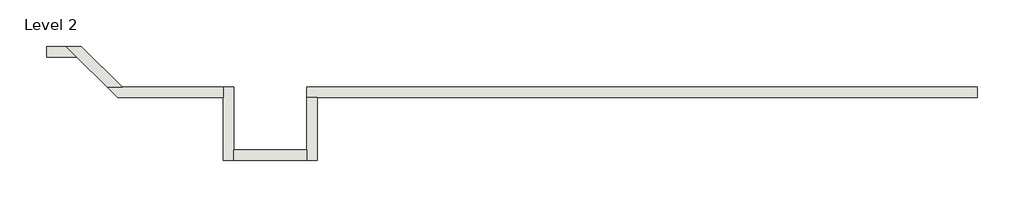
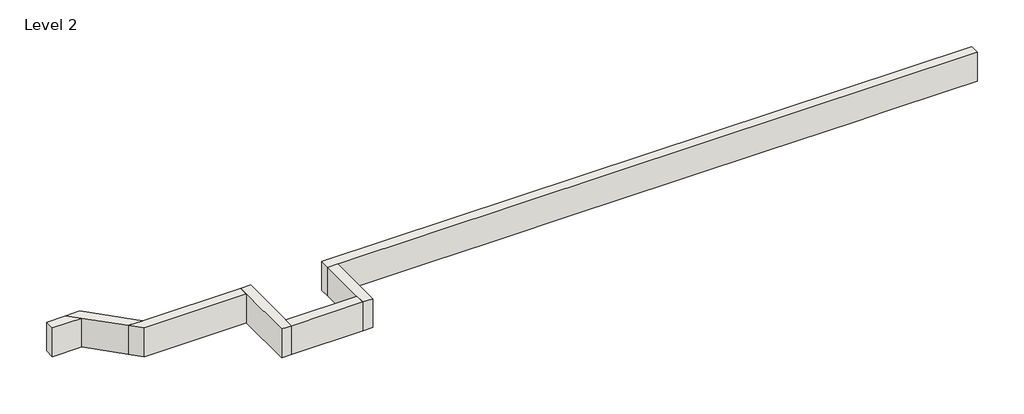
# One storey: 7 walls.
"""IFC4 building model written with IfcOpenShell, lengths in millimetres."""

import ifcopenshell
import ifcopenshell.guid

model = None  # the IFC model being written
_history = None  # IfcOwnerHistory: only IFC2X3 demands one
_inside = {}  # id of a spatial element -> (the spatial element, [elements in it])
_under = {}  # id of a project, library or spatial element -> (it, [spatial elements below it])
_declared = {}  # id of a project -> (the project, [libraries it declares])
_typed = {}  # id of a type object -> (the type object, [elements of that type])
_made_of = {}  # id of a material, layer set ... -> (it, [elements and type objects made of it])


def new_model(schema):
    """Start an empty IFC model of exactly this schema.

    Asked for "IFC4X3", IfcOpenShell would pick the latest addendum, in which some entities
    have other attributes; the version numbers below select the first issue.
    IFC2X3 requires an IfcOwnerHistory on every rooted entity: one is made here for all.
    """
    global model, _history
    if schema == "IFC4X3":
        model = ifcopenshell.file(schema_version=(4, 3, 0, 0))
    else:
        model = ifcopenshell.file(schema=schema)
    _inside.clear()
    _under.clear()
    _declared.clear()
    _typed.clear()
    _made_of.clear()
    _history = None
    if model.schema == "IFC2X3":
        org = make("IfcOrganization", Name="unknown")
        user = make(
            "IfcPersonAndOrganization",
            ThePerson=make("IfcPerson", FamilyName="unknown"),
            TheOrganization=org,
        )
        app = make(
            "IfcApplication",
            ApplicationDeveloper=org,
            Version="unknown",
            ApplicationFullName="unknown",
            ApplicationIdentifier="unknown",
        )
        _history = make(
            "IfcOwnerHistory",
            OwningUser=user,
            OwningApplication=app,
            ChangeAction="ADDED",
            CreationDate=0,
        )
    return model


def make(cls, **values):
    """One entity of the class cls with the attributes given. An attribute that is None is left unset."""
    return model.create_entity(
        cls, **{name: value for name, value in values.items() if value is not None}
    )


def rooted(cls, **values):
    """An entity with a GlobalId (a new one), such as an element, a storey or a relation."""
    return make(cls, GlobalId=ifcopenshell.guid.new(), OwnerHistory=_history, **values)


def si_unit(unit_type, name, prefix=None):
    """IfcSIUnit, for example si_unit("LENGTHUNIT", "METRE", prefix="MILLI")."""
    return make("IfcSIUnit", UnitType=unit_type, Prefix=prefix, Name=name)


def assignment(units):
    """IfcUnitAssignment: the units of a project."""
    return None if units is None else make("IfcUnitAssignment", Units=units)


def point(xyz):
    """IfcCartesianPoint."""
    return None if xyz is None else make("IfcCartesianPoint", Coordinates=xyz)


def direction(xyz):
    """IfcDirection."""
    return None if xyz is None else make("IfcDirection", DirectionRatios=xyz)


def frame(location, z_axis=None, x_axis=None):
    """IfcAxis2Placement3D, a coordinate frame: its origin and axes. An axis left out is left unset."""
    return make(
        "IfcAxis2Placement3D",
        Location=point(location),
        Axis=direction(z_axis),
        RefDirection=direction(x_axis),
    )


def origin():
    """The frame at (0, 0, 0) with its axes left unset."""
    return frame((0.0, 0.0, 0.0))


def place(relative_to, where):
    """IfcLocalPlacement: puts the frame where relative to a parent placement (None: the world)."""
    return make(
        "IfcLocalPlacement", PlacementRelTo=relative_to, RelativePlacement=where
    )


def context(
    kind, dimensions, precision=None, world=None, true_north=None, identifier=None
):
    """IfcGeometricRepresentationContext, for example the 3D "Model" context."""
    return make(
        "IfcGeometricRepresentationContext",
        ContextIdentifier=identifier,
        ContextType=kind,
        CoordinateSpaceDimension=dimensions,
        Precision=precision,
        WorldCoordinateSystem=world,
        TrueNorth=true_north,
    )


def project(units=None, contexts=None):
    """IfcProject with its units and contexts."""
    return rooted(
        "IfcProject",
        Name="project",
        RepresentationContexts=contexts,
        UnitsInContext=assignment(units),
    )


def spatial(cls, under=None, at=None, **own):
    """A site, building, storey or space (cls), placed at a placement, below another one or the project."""
    s = rooted(cls, ObjectPlacement=at, **own)
    if under is not None:
        _under.setdefault(under.id(), (under, []))[1].append(s)
    return s


def polyline(points):
    """IfcPolyline through the points."""
    return make("IfcPolyline", Points=[point(p) for p in points])


def outline(outer, holes=None, kind="AREA"):
    """IfcArbitraryClosedProfileDef: a profile drawn as a closed curve; with holes, ...WithVoids."""
    if holes is None:
        return make("IfcArbitraryClosedProfileDef", ProfileType=kind, OuterCurve=outer)
    return make(
        "IfcArbitraryProfileDefWithVoids",
        ProfileType=kind,
        OuterCurve=outer,
        InnerCurves=holes,
    )


def extrude(swept, where, along, depth):
    """IfcExtrudedAreaSolid: the profile swept, set in the frame where, extruded along a direction by depth."""
    return make(
        "IfcExtrudedAreaSolid",
        SweptArea=swept,
        Position=where,
        ExtrudedDirection=direction(along),
        Depth=depth,
    )


def faces_of(points, faces, orient=None, outer=None):
    """IfcFace entities. A face is a list of loops; a loop is a list of indices into points, from 0.

    orient and outer hold one flag for each loop. By default every Orientation is true, the
    first loop of a face is its IfcFaceOuterBound and the others are IfcFaceBound.
    """
    made = []
    for i, loops in enumerate(faces):
        bounds = []
        for j, loop in enumerate(loops):
            is_outer = j == 0 if outer is None else outer[i][j]
            bounds.append(
                make(
                    "IfcFaceOuterBound" if is_outer else "IfcFaceBound",
                    Bound=make("IfcPolyLoop", Polygon=[points[k] for k in loop]),
                    Orientation=True if orient is None else orient[i][j],
                )
            )
        made.append(make("IfcFace", Bounds=bounds))
    return made


def faceted_brep(points, faces, orient=None, outer=None, voids=None):
    """IfcFacetedBrep: a solid bounded by flat faces; with voids (closed shells), ...WithVoids."""
    shared = [point(p) for p in points]
    hull = make("IfcClosedShell", CfsFaces=faces_of(shared, faces, orient, outer))
    if voids is None:
        return make("IfcFacetedBrep", Outer=hull)
    return make(
        "IfcFacetedBrepWithVoids",
        Outer=hull,
        Voids=[
            make(cls, CfsFaces=faces_of(shared, fs, o, b)) for cls, fs, o, b in voids
        ],
    )


def shape(context_of_items, identifier, shape_type, items):
    """IfcShapeRepresentation: the items that make up one representation, for example the "Body"."""
    return make(
        "IfcShapeRepresentation",
        ContextOfItems=context_of_items,
        RepresentationIdentifier=identifier,
        RepresentationType=shape_type,
        Items=items,
    )


def made_of(thing, what):
    """Note that an element or type object is made of a material, layer set ...; save() writes the relation."""
    if what is not None:
        _made_of.setdefault(what.id(), (what, []))[1].append(thing)
    return thing


def element(
    cls,
    number,
    at=None,
    inside=None,
    cuts=None,
    type_object=None,
    material=None,
    context=None,
    identifier="Body",
    shape_type=None,
    held_by="IfcProductDefinitionShape",
    body=None,
    shapes=None,
    **own,
):
    """One element of the class cls, such as IfcWall. Its Tag is "e" and its number.

    at: its placement. inside: the storey or other place that contains it. cuts: it is an
    opening in that element (IfcRelVoidsElement). A single representation is given by context,
    identifier, shape_type and body (its items); several are given by shapes. held_by: the class
    of the entity that holds the representations. save() writes the other relations.
    """
    e = rooted(cls, Tag="e%d" % number, ObjectPlacement=at, **own)
    if body is not None:
        shapes = [shape(context, identifier, shape_type, body)]
    if shapes is not None:
        e.Representation = make(held_by, Representations=shapes)
    if inside is not None:
        _inside.setdefault(inside.id(), (inside, []))[1].append(e)
    if cuts is not None:
        rooted(
            "IfcRelVoidsElement", RelatingBuildingElement=cuts, RelatedOpeningElement=e
        )
    if type_object is not None:
        _typed.setdefault(type_object.id(), (type_object, []))[1].append(e)
    return made_of(e, material)


def aggregate(whole, parts):
    """IfcRelAggregates: a whole, such as a stair, and the parts it consists of."""
    return rooted("IfcRelAggregates", RelatingObject=whole, RelatedObjects=parts)


def save(model, path):
    """Write the relations noted so far, then the file.

    IfcRelAggregates (storeys below a building ...), IfcRelContainedInSpatialStructure (elements
    in a storey), IfcRelDefinesByType, IfcRelAssociatesMaterial and IfcRelDeclares: one each for
    every whole, place, type object, material and project.
    """
    for whole, parts in _under.values():
        aggregate(whole, parts)
    for where, things in _inside.values():
        rooted(
            "IfcRelContainedInSpatialStructure",
            RelatedElements=things,
            RelatingStructure=where,
        )
    for kind, things in _typed.values():
        rooted("IfcRelDefinesByType", RelatedObjects=things, RelatingType=kind)
    for what, things in _made_of.values():
        rooted("IfcRelAssociatesMaterial", RelatedObjects=things, RelatingMaterial=what)
    for by, libraries in _declared.values():
        rooted("IfcRelDeclares", RelatingContext=by, RelatedDefinitions=libraries)
    model.write(path)


model = new_model("IFC4")

# Units and contexts
model_context = context("Model", 3, world=origin())
ifc_project = project(units=[si_unit("LENGTHUNIT", "METRE", prefix="MILLI")], contexts=[model_context])

# Site, building, storey
site = spatial("IfcSite", under=ifc_project)
building = spatial("IfcBuilding", under=site)
storey = spatial("IfcBuildingStorey", under=building, Name="Level 2", Elevation=3048.0)

# Walls
placement = place(None, origin())
element("IfcWall", 1, ObjectType="Generic - 8\" Brick", at=placement, inside=storey, context=model_context, shape_type="Brep", body=[
    faceted_brep([(14630.357857, 1422.3976187, 3048.0), (14020.757857, 1422.3976187, 3048.0), (12801.557857, 1422.3976187, 3048.0), (12191.957857, 1422.3976187, 3048.0), (10972.757857, 1422.3976187, 3048.0), (10363.157857, 1422.3976187, 3048.0), (7315.157857, 1422.3976187, 3048.0), (6705.557857, 1422.3976187, 3048.0), (4876.757857, 1422.3976187, 3048.0), (3657.557857, 1422.3976187, 3048.0), (1625.5602383, 1422.3976187, 3048.0), (1625.5602383, 1422.3976187, 3657.6), (14630.357857, 1422.3976187, 3657.6), (14630.357857, 1219.1976187, 3048.0), (14630.357857, 1219.1976187, 3657.6), (1828.7602383, 1219.1976187, 3657.6), (1625.5602383, 1219.1976187, 3657.6), (1625.5602383, 1219.1976187, 3048.0), (1828.7602383, 1219.1976187, 3048.0), (3657.557857, 1219.1976187, 3048.0), (4876.757857, 1219.1976187, 3048.0), (6705.557857, 1219.1976187, 3048.0), (7315.157857, 1219.1976187, 3048.0), (10363.157857, 1219.1976187, 3048.0), (10972.757857, 1219.1976187, 3048.0), (12191.957857, 1219.1976187, 3048.0), (12801.557857, 1219.1976187, 3048.0), (14020.757857, 1219.1976187, 3048.0)], [[[0, 1, 2, 3, 4, 5, 6, 7, 8, 9, 10, 11, 12]], [[13, 14, 15, 16, 17, 18, 19, 20, 21, 22, 23, 24, 25, 26, 27]], [[10, 9, 8, 7, 6, 5, 4, 3, 2, 1, 0, 13, 27, 26, 25, 24, 23, 22, 21, 20, 19, 18, 17]], [[12, 11, 16, 15, 14]], [[0, 12, 14, 13]], [[11, 10, 17, 16]]]),
])
element("IfcWall", 2, ObjectType="Generic - 8\" Brick", at=placement, inside=storey, context=model_context, shape_type="Brep", body=[
    faceted_brep([(1625.5602383, 1219.1976187, 3048.0), (1625.5602383, 203.2, 3048.0), (1625.5602383, 0.0, 3048.0), (1625.5602383, 0.0, 3657.6), (1625.5602383, 203.2, 3657.6), (1625.5602383, 1219.1976187, 3657.6), (1828.7602383, 1219.1976187, 3048.0), (1828.7602383, 1219.1976187, 3657.6), (1828.7602383, 0.0, 3657.6), (1828.7602383, 0.0, 3048.0)], [[[0, 1, 2, 3, 4, 5]], [[6, 7, 8, 9]], [[2, 1, 0, 6, 9]], [[5, 4, 3, 8, 7]], [[0, 5, 7, 6]], [[3, 2, 9, 8]]]),
])
element("IfcWall", 3, ObjectType="Generic - 8\" Brick", at=placement, inside=storey, context=model_context, shape_type="SweptSolid", body=[
    extrude(outline(polyline([(203.157857, 203.2), (1625.5602383, 203.2), (1625.5602383, 0.0), (203.157857, 0.0), (203.157857, 203.2)])), frame((0.0, 0.0, 3048.0), z_axis=(0.0, 0.0, 1.0), x_axis=(1.0, 0.0, 0.0)), (0.0, 0.0, 1.0), 609.6),
])
element("IfcWall", 4, ObjectType="Generic - 8\" Brick", at=placement, inside=storey, context=model_context, shape_type="Brep", body=[
    faceted_brep([(203.157857, 0.0, 3048.0), (203.157857, 203.2, 3048.0), (203.157857, 1422.3976187, 3048.0), (203.157857, 1422.3976187, 3657.6), (203.157857, 203.2, 3657.6), (203.157857, 0.0, 3657.6), (-0.042143, 0.0, 3048.0), (-0.042143, 0.0, 3657.6), (-0.042143, 1219.1976187, 3657.6), (-0.042143, 1422.3976187, 3657.6), (-0.042143, 1422.3976187, 3048.0), (-0.042143, 1219.1976187, 3048.0)], [[[0, 1, 2, 3, 4, 5]], [[6, 7, 8, 9, 10, 11]], [[2, 1, 0, 6, 11, 10]], [[5, 4, 3, 9, 8, 7]], [[0, 5, 7, 6]], [[3, 2, 10, 9]]]),
])
element("IfcWall", 5, ObjectType="Generic - 8\" Brick", at=placement, inside=storey, context=model_context, shape_type="Brep", body=[
    faceted_brep([(-0.042143, 1422.3976187, 3048.0), (-1960.8311221, 1422.3976187, 3048.0), (-2248.199318, 1422.3976187, 3048.0), (-2248.199318, 1422.3976187, 3657.6), (-1960.8311221, 1422.3976187, 3657.6), (-0.042143, 1422.3976187, 3657.6), (-0.042143, 1219.1976187, 3048.0), (-0.042143, 1219.1976187, 3657.6), (-2044.999318, 1219.1976187, 3657.6), (-2044.999318, 1219.1976187, 3048.0)], [[[0, 1, 2, 3, 4, 5]], [[6, 7, 8, 9]], [[2, 1, 0, 6, 9]], [[5, 4, 3, 8, 7]], [[0, 5, 7, 6]], [[3, 2, 9, 8]]]),
])
element("IfcWall", 6, ObjectType="Generic - 8\" Brick", at=placement, inside=storey, context=model_context, shape_type="Brep", body=[
    faceted_brep([(-1960.8311221, 1422.3976187, 3048.0), (-2754.966579, 2216.5330756, 3048.0), (-2754.966579, 2216.5330756, 3657.6), (-1960.8311221, 1422.3976187, 3657.6), (-2248.199318, 1422.3976187, 3048.0), (-2248.199318, 1422.3976187, 3657.6), (-2839.1347748, 2013.3330756, 3657.6), (-3042.3347748, 2216.5330756, 3657.6), (-3042.3347748, 2216.5330756, 3048.0), (-2839.1347748, 2013.3330756, 3048.0)], [[[0, 1, 2, 3]], [[4, 5, 6, 7, 8, 9]], [[1, 0, 4, 9, 8]], [[3, 2, 7, 6, 5]], [[2, 1, 8, 7]], [[0, 3, 5, 4]]]),
])
element("IfcWall", 7, ObjectType="Generic - 8\" Brick", at=placement, inside=storey, context=model_context, shape_type="SweptSolid", body=[
    extrude(outline(polyline([(-3424.4362752, 2216.5330756), (-3042.3347748, 2216.5330756), (-2839.1347748, 2013.3330756), (-3424.4362752, 2013.3330756), (-3424.4362752, 2216.5330756)])), frame((0.0, 0.0, 3048.0), z_axis=(0.0, 0.0, 1.0), x_axis=(1.0, 0.0, 0.0)), (0.0, 0.0, 1.0), 609.6),
])

save(model, "model.ifc")
